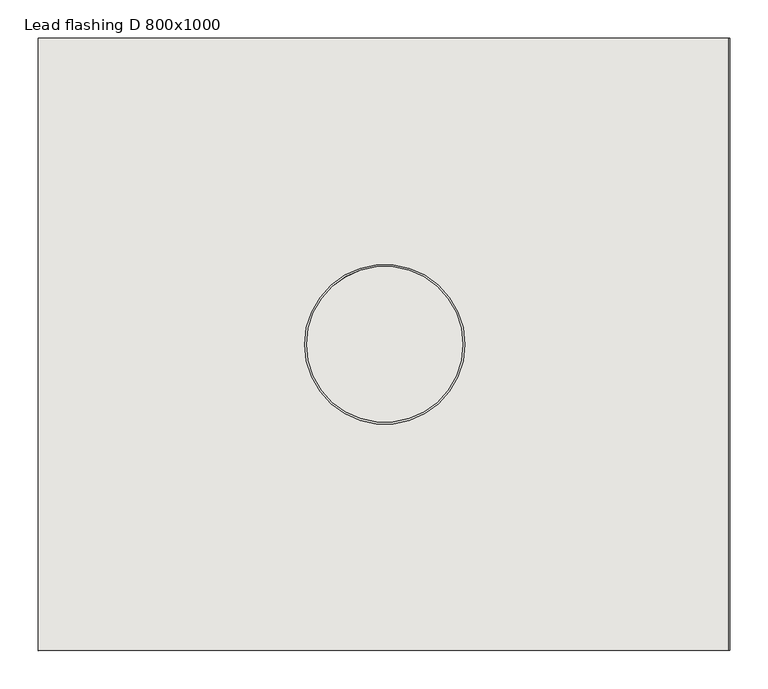
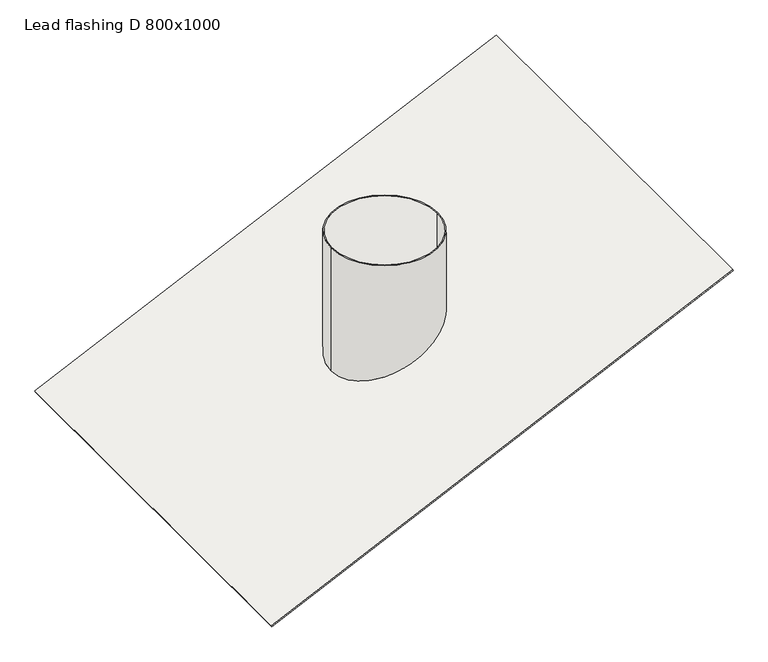
"""IFC4 building model written with IfcOpenShell, lengths in millimetres: covering geometry, Lead flashing D 800x1000."""

from ifc_helpers import new_model, si_unit, frame, origin, place, context, project, spatial, polyline, circle_curve, ellipse_curve, source, transform, mapped, element, save
from ifc_brep_helpers import plane_surface, cylinder_surface, revolved_surface, advanced_brep


def lead_flashing_d_800x1000_a7e0aa68(model_context):
    return source(origin(), model_context, "Body", "AdvancedBrep", [
        advanced_brep(
        [(450.4349702, -400.0, 210.0412761), (449.3784245, -400.0, 212.3070456), (-452.3978236, -400.0, -208.1981249), (-451.3412779, -400.0, -210.4638943), (450.4349702, 400.0, 210.0412761), (-451.3412779, 400.0, -210.4638943), (-452.3978236, 400.0, -208.1981249), (449.3784245, 400.0, 212.3070456), (104.5, 0.0, 51.4875951), (-104.5, 0.0, -45.9707055), (102.0, 0.0, 50.3218259), (-102.0, 0.0, -44.8049363), (-104.5, 0.0, 208.450791), (104.5, 0.0, 208.450791), (-102.0, 0.0, 208.450791), (102.0, 0.0, 208.450791)],
        [
            (0, 1),
            (1, 2),
            (2, 3),
            (3, 0),
            (4, 5),
            (5, 6),
            (6, 7),
            (7, 4),
            (0, 4),
            (7, 1),
            (6, 2),
            (8, 9, ellipse_curve(frame((0.0, 0.0, 2.7584448), z_axis=(0.42261826174070005, 0.0, -0.9063077870366497), x_axis=(0.9063077870366496, 0.0, 0.42261826174069994)), 115.3029925, 104.5)),
            (9, 8, ellipse_curve(frame((0.0, 0.0, 2.7584448), z_axis=(0.42261826174070005, 0.0, -0.9063077870366497), x_axis=(0.9063077870366496, 0.0, 0.42261826174069994)), 115.3029925, 104.5)),
            (10, 11, ellipse_curve(frame((0.0, 0.0, 2.7584448), z_axis=(-0.42261826174070005, 0.0, 0.9063077870366497), x_axis=(-0.9063077870366496, 0.0, -0.42261826174069994)), 112.5445477, 102.0)),
            (11, 10, ellipse_curve(frame((0.0, 0.0, 2.7584448), z_axis=(-0.42261826174070005, 0.0, 0.9063077870366497), x_axis=(-0.9063077870366496, 0.0, -0.42261826174069994)), 112.5445477, 102.0)),
            (5, 3),
            (12, 13, circle_curve(frame((0.0, 0.0, 208.450791), z_axis=(0.0, 0.0, 1.0), x_axis=(1.0, 0.0, 0.0)), 104.5)),
            (13, 12, circle_curve(frame((0.0, 0.0, 208.450791), z_axis=(0.0, 0.0, 1.0), x_axis=(1.0, 0.0, 0.0)), 104.5)),
            (14, 15, circle_curve(frame((0.0, 0.0, 208.450791), z_axis=(0.0, 0.0, -1.0), x_axis=(1.0, 0.0, 0.0)), 102.0)),
            (15, 14, circle_curve(frame((0.0, 0.0, 208.450791), z_axis=(0.0, 0.0, -1.0), x_axis=(1.0, 0.0, 0.0)), 102.0)),
            (12, 9),
            (8, 13),
            (14, 11),
            (10, 15),
        ],
        [
            plane_surface(frame((450.4349702, -400.0, 210.0412761), z_axis=(0.0, -1.0000000000000002, 0.0), x_axis=(-0.4226182617406819, 0.0, 0.9063077870366583))),
            plane_surface(frame((450.4349702, 400.0, 210.0412761), z_axis=(0.0, 1.0000000000000002, 0.0), x_axis=(0.4226182617406819, 0.0, -0.9063077870366583))),
            plane_surface(frame((450.4349702, -400.0, 210.0412761), z_axis=(0.9063077870366583, 0.0, 0.4226182617406819), x_axis=(0.0, 1.0, 0.0))),
            plane_surface(frame((449.3784245, -400.0, 212.3070456), z_axis=(-0.42261826174070005, 0.0, 0.9063077870366497), x_axis=(0.0, 1.0, 0.0))),
            plane_surface(frame((-452.3978236, -400.0, -208.1981249), z_axis=(-0.9063077870366583, 0.0, -0.4226182617406819), x_axis=(0.0, 1.0, 0.0))),
            plane_surface(frame((104.5, 0.0, 208.450791), z_axis=(0.0, 0.0, 1.0), x_axis=(0.0, 1.0, 0.0))),
            cylinder_surface(frame((0.0, 0.0, -48.7291503), z_axis=(0.0, 0.0, 1.0), x_axis=(1.0, 0.0, 0.0)), 104.5),
            revolved_surface(polyline([(102.0, 0.0, -44.804936317367286), (102.0, 0.0, 208.450791)]), (0.0, 0.0, 0.0), (0.0, 0.0, -1.0)),
            plane_surface(frame((104.5, -400.0, 48.7291503), z_axis=(0.4226182617407014, 0.0, -0.9063077870366492), x_axis=(0.0, 1.0, 0.0))),
        ],
        [
            (0, [[1, 2, 3, 4]]),
            (1, [[5, 6, 7, 8]]),
            (2, [[-1, 9, -8, 10]]),
            (3, [[-2, -10, -7, 11], [12, 13]]),
            (3, [[14, 15]]),
            (4, [[-3, -11, -6, 16]]),
            (5, [[17, 18], [19, 20]]),
            (6, [[-17, 21, -12, 22]]),
            (6, [[-18, -22, -13, -21]]),
            (7, [[-19, 23, -14, 24]]),
            (7, [[-20, -24, -15, -23]]),
            (8, [[-4, -16, -5, -9]]),
        ],
    ),
    ])


if __name__ == "__main__":
    model = new_model("IFC4")
    model_context = context("Model", 3, world=origin())
    ifc_project = project(units=[si_unit("LENGTHUNIT", "METRE", prefix="MILLI")], contexts=[model_context])
    site = spatial("IfcSite", under=ifc_project)
    building = spatial("IfcBuilding", under=site)
    placement = place(None, origin())
    lead_flashing_d_800x1000_shape = lead_flashing_d_800x1000_a7e0aa68(model_context)
    element("IfcCovering", 1, ObjectType="Lead flashing D 800x1000", at=placement, inside=building, context=model_context, shape_type="MappedRepresentation", body=[
        mapped(lead_flashing_d_800x1000_shape, transform((0.0, 0.0, 0.0), x_axis=(1.0, 0.0, 0.0), y_axis=(0.0, 1.0, 0.0), z_axis=(0.0, 0.0, 1.0))),
    ])
    save(model, "model.ifc")
